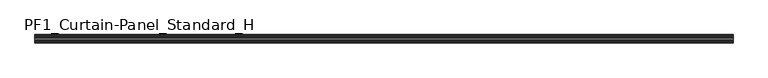
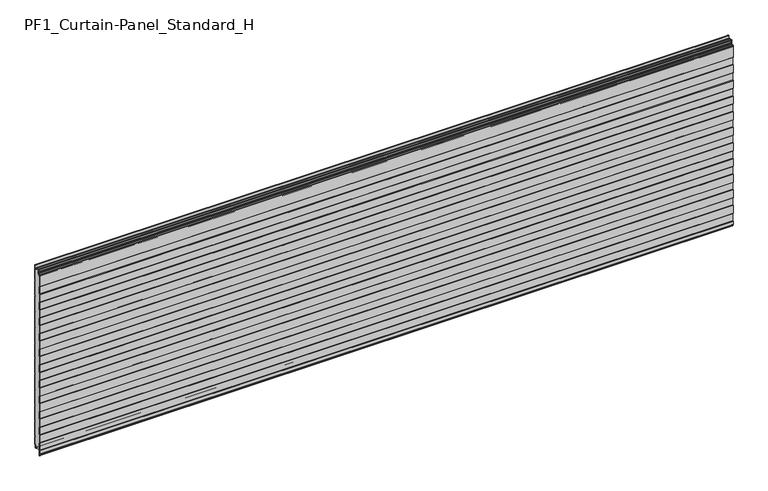
"""IFC4 building model written with IfcOpenShell, lengths in millimetres: plate geometry, PF1_Curtain-Panel_Standard_H."""

from ifc_helpers import new_model, si_unit, point, frame, frame_2d, origin, place, context, project, spatial, polyline, circle_curve, trimmed, segment, composite_curve, outline, extrude, source, transform, mapped, element, save


def pf1_curtain_panel_standard_h_fcb22b2a(model_context):
    return source(origin(), model_context, "Body", "SweptSolid", [
        extrude(outline(composite_curve([segment(polyline([(-15.878557, 0.0), (-20.0, 0.0), (-20.0, 0.8), (-15.878557, 0.8)]), True, "CONTINUOUS"), segment(trimmed(circle_curve(frame_2d((-15.878557, -2.0)), 2.8), [point((-15.878557, 0.8))], [point((-13.1503208, -1.370137))], False, "CARTESIAN"), True, "CONTINUOUS"), segment(polyline([(-13.1503208, -1.370137), (-11.728236, -7.529863)]), True, "CONTINUOUS"), segment(trimmed(circle_curve(frame_2d((-9.0, -6.9)), 2.8), [point((-11.728236, -7.529863))], [point((-6.2, -6.9))], True, "CARTESIAN"), True, "CONTINUOUS"), segment(polyline([(-6.2, -6.9), (-6.2, 8.6)]), True, "CONTINUOUS"), segment(trimmed(circle_curve(frame_2d((-3.4, 8.6)), 2.8), [point((-6.2, 8.6))], [point((-3.4, 11.4))], False, "CARTESIAN"), True, "CONTINUOUS"), segment(polyline([(-3.4, 11.4), (-2.0, 11.4)]), True, "CONTINUOUS"), segment(trimmed(circle_curve(frame_2d((-2.0, 12.6)), 1.2), [point((-2.0, 11.4))], [point((-0.8, 12.6))], True, "CARTESIAN"), True, "CONTINUOUS"), segment(polyline([(-0.8, 12.6), (-0.8, 57.6856412), (-2.482606, 60.6), (-0.8, 63.5143588), (-0.8, 157.6856412), (-2.482606, 160.6), (-0.8, 163.5143588), (-0.8, 257.6856412), (-2.482606, 260.6), (-0.8, 263.5143588), (-0.8, 357.6856412), (-2.482606, 360.6), (-0.8, 363.5143588), (-0.8, 457.6856412), (-2.482606, 460.6), (-0.8, 463.5143588), (-0.8, 557.6856412), (-2.482606, 560.6), (-0.8, 563.5143588), (-0.8, 657.6856412), (-2.482606, 660.6), (-0.8, 663.5143588), (-0.8, 757.6856412), (-2.482606, 760.6), (-0.8, 763.5143588), (-0.8, 857.6856412), (-2.482606, 860.6), (-0.8, 863.5143588), (-0.8, 957.6856412), (-2.482606, 960.6), (-0.8, 963.5143588), (-0.8, 1057.6856412), (-2.482606, 1060.6), (-0.8, 1063.5143588), (-0.8, 1158.268846)]), True, "CONTINUOUS"), segment(trimmed(circle_curve(frame_2d((-2.5, 1158.268846)), 1.7), [point((-0.8, 1158.268846))], [point((-4.2, 1158.268846))], True, "CARTESIAN"), True, "CONTINUOUS"), segment(polyline([(-4.2, 1158.268846), (-4.2, 1141.268846)]), True, "CONTINUOUS"), segment(trimmed(circle_curve(frame_2d((-9.0, 1141.268846)), 4.8), [point((-4.2, 1141.268846))], [point((-13.7270771, 1140.4353344))], False, "CARTESIAN"), True, "CONTINUOUS"), segment(polyline([(-13.7270771, 1140.4353344), (-14.8636953, 1146.8814129)]), True, "CONTINUOUS"), segment(trimmed(circle_curve(frame_2d((-16.6363492, 1146.568846)), 1.8), [point((-14.8636953, 1146.8814129))], [point((-16.6363492, 1148.368846))], True, "CARTESIAN"), True, "CONTINUOUS"), segment(polyline([(-16.6363492, 1148.368846), (-20.0, 1148.368846), (-20.0, 1149.168846), (-16.6363492, 1149.168846)]), True, "CONTINUOUS"), segment(trimmed(circle_curve(frame_2d((-16.6363492, 1146.568846)), 2.6), [point((-16.6363492, 1149.168846))], [point((-14.0758491, 1147.0203315))], False, "CARTESIAN"), True, "CONTINUOUS"), segment(polyline([(-14.0758491, 1147.0203315), (-12.939231, 1140.574253)]), True, "CONTINUOUS"), segment(trimmed(circle_curve(frame_2d((-9.0, 1141.268846)), 4.0), [point((-12.939231, 1140.574253))], [point((-5.0, 1141.268846))], True, "CARTESIAN"), True, "CONTINUOUS"), segment(polyline([(-5.0, 1141.268846), (-5.0, 1158.268846)]), True, "CONTINUOUS"), segment(trimmed(circle_curve(frame_2d((-2.5, 1158.268846)), 2.5), [point((-5.0, 1158.268846))], [point((0.0, 1158.268846))], False, "CARTESIAN"), True, "CONTINUOUS"), segment(polyline([(0.0, 1158.268846), (0.0, 1063.2999995), (-1.5588455, 1060.6), (0.0, 1057.9000005), (0.0, 963.2999995), (-1.5588455, 960.6), (0.0, 957.9000005), (0.0, 863.2999995), (-1.5588455, 860.6), (0.0, 857.9000005), (0.0, 763.2999995), (-1.5588455, 760.6), (0.0, 757.9000005), (0.0, 663.2999995), (-1.5588455, 660.6), (0.0, 657.9000005), (0.0, 563.2999995), (-1.5588455, 560.6), (0.0, 557.9000005), (0.0, 463.2999995), (-1.5588455, 460.6), (0.0, 457.9000005), (0.0, 363.2999995), (-1.5588455, 360.6), (0.0, 357.9000005), (0.0, 263.2999995), (-1.5588455, 260.6), (0.0, 257.9000005), (0.0, 163.2999995), (-1.5588455, 160.6), (0.0, 157.9000005), (0.0, 63.2999995), (-1.5588455, 60.6), (0.0, 57.9000005), (0.0, 12.6)]), True, "CONTINUOUS"), segment(trimmed(circle_curve(frame_2d((-2.0, 12.6)), 2.0), [point((0.0, 12.6))], [point((-2.0, 10.6))], False, "CARTESIAN"), True, "CONTINUOUS"), segment(polyline([(-2.0, 10.6), (-3.4, 10.6)]), True, "CONTINUOUS"), segment(trimmed(circle_curve(frame_2d((-3.4, 8.6)), 2.0), [point((-3.4, 10.6))], [point((-5.4, 8.6))], True, "CARTESIAN"), True, "CONTINUOUS"), segment(polyline([(-5.4, 8.6), (-5.4, -6.9)]), True, "CONTINUOUS"), segment(trimmed(circle_curve(frame_2d((-9.0, -6.9)), 3.6), [point((-5.4, -6.9))], [point((-12.5077322, -7.7098239))], False, "CARTESIAN"), True, "CONTINUOUS"), segment(polyline([(-12.5077322, -7.7098239), (-13.929817, -1.5500979)]), True, "CONTINUOUS"), segment(trimmed(circle_curve(frame_2d((-15.878557, -2.0)), 2.0), [point((-13.929817, -1.5500979))], [point((-15.878557, 0.0))], True, "CARTESIAN"), True, "CONTINUOUS")], self_intersect=False)), frame((-2100.0, 0.0, 0.0), z_axis=(1.0, 0.0, 0.0), x_axis=(0.0, 1.0, 0.0)), (0.0, 0.0, 1.0), 4200.0),
        extrude(outline(composite_curve([segment(polyline([(-40.0, 0.0), (-43.5, 0.0)]), True, "CONTINUOUS"), segment(trimmed(circle_curve(frame_2d((-43.5, -2.0)), 2.0), [point((-43.5, 0.0))], [point((-45.5, -2.0))], True, "CARTESIAN"), True, "CONTINUOUS"), segment(polyline([(-45.5, -2.0), (-45.5, -33.0)]), True, "CONTINUOUS"), segment(trimmed(circle_curve(frame_2d((-46.5, -33.0)), 1.0), [point((-45.5, -33.0))], [point((-47.5, -33.0))], False, "CARTESIAN"), True, "CONTINUOUS"), segment(polyline([(-47.5, -33.0), (-47.5, -26.9)]), True, "CONTINUOUS"), segment(trimmed(circle_curve(frame_2d((-48.4, -26.9)), 0.9), [point((-47.5, -26.9))], [point((-48.4, -26.0))], True, "CARTESIAN"), True, "CONTINUOUS"), segment(trimmed(circle_curve(frame_2d((-48.4, -24.4)), 1.6), [point((-48.4, -26.0))], [point((-50.0, -24.4))], False, "CARTESIAN"), True, "CONTINUOUS"), segment(polyline([(-50.0, -24.4), (-50.0, -0.9952559), (-48.5, 1.6028217), (-48.5, 46.4028193), (-50.0, 49.0008969), (-50.0, 99.0047441), (-48.5, 101.6028217), (-48.5, 146.4028193), (-50.0, 149.0008969), (-50.0, 199.0047441), (-48.5, 201.6028217), (-48.5, 246.4028193), (-50.0, 249.0008969), (-50.0, 299.0047441), (-48.5, 301.6028217), (-48.5, 346.4028193), (-50.0, 349.0008969), (-50.0, 399.0047441), (-48.5, 401.6028217), (-48.5, 446.4028193), (-50.0, 449.0008969), (-50.0, 499.0047441), (-48.5, 501.6028217), (-48.5, 546.4028193), (-50.0, 549.0008969), (-50.0, 599.0047441), (-48.5, 601.6028217), (-48.5, 646.4028193), (-50.0, 649.0008969), (-50.0, 699.0047441), (-48.5, 701.6028217), (-48.5, 746.4028193), (-50.0, 749.0008969), (-50.0, 799.0047441), (-48.5, 801.6028217), (-48.5, 846.4028193), (-50.0, 849.0008969), (-50.0, 899.0047441), (-48.5, 901.6028217), (-48.5, 946.4028193), (-50.0, 949.0008969), (-50.0, 999.0047441), (-48.5, 1001.6028217), (-48.5, 1046.4028193), (-50.0, 1049.0008969), (-50.0, 1123.168846)]), True, "CONTINUOUS"), segment(trimmed(circle_curve(frame_2d((-49.0, 1123.168846)), 1.0), [point((-50.0, 1123.168846))], [point((-48.0, 1123.168846))], False, "CARTESIAN"), True, "CONTINUOUS"), segment(polyline([(-48.0, 1123.168846), (-48.0, 1117.168846)]), True, "CONTINUOUS"), segment(trimmed(circle_curve(frame_2d((-46.5, 1117.168846)), 1.5), [point((-48.0, 1117.168846))], [point((-45.0, 1117.168846))], True, "CARTESIAN"), True, "CONTINUOUS"), segment(polyline([(-45.0, 1117.168846), (-45.0, 1117.9964664)]), True, "CONTINUOUS"), segment(trimmed(circle_curve(frame_2d((-38.8276204, 1117.9964664)), 6.1723796), [point((-45.0, 1117.9964664))], [point((-38.8276204, 1124.168846))], False, "CARTESIAN"), True, "CONTINUOUS"), segment(polyline([(-38.8276204, 1124.168846), (-38.0, 1124.168846)]), True, "CONTINUOUS"), segment(trimmed(circle_curve(frame_2d((-38.0, 1125.168846)), 1.0), [point((-38.0, 1124.168846))], [point((-37.0, 1125.168846))], True, "CARTESIAN"), True, "CONTINUOUS"), segment(polyline([(-37.0, 1125.168846), (-37.0, 1131.6688472), (-35.4999999, 1133.168846), (-37.0, 1134.6688448), (-37.0, 1146.568846)]), True, "CONTINUOUS"), segment(trimmed(circle_curve(frame_2d((-34.4, 1146.568846)), 2.6), [point((-37.0, 1146.568846))], [point((-34.4, 1149.168846))], False, "CARTESIAN"), True, "CONTINUOUS"), segment(polyline([(-34.4, 1149.168846), (-33.0, 1149.168846), (-33.0, 1148.368846), (-34.4, 1148.368846)]), True, "CONTINUOUS"), segment(trimmed(circle_curve(frame_2d((-34.4, 1146.568846)), 1.8), [point((-34.4, 1148.368846))], [point((-36.2, 1146.568846))], True, "CARTESIAN"), True, "CONTINUOUS"), segment(polyline([(-36.2, 1146.568846), (-36.2, 1135.0002158), (-34.3686285, 1133.168846), (-36.2, 1131.3374762), (-36.2, 1125.168846)]), True, "CONTINUOUS"), segment(trimmed(circle_curve(frame_2d((-38.0, 1125.168846)), 1.8), [point((-36.2, 1125.168846))], [point((-38.0, 1123.368846))], False, "CARTESIAN"), True, "CONTINUOUS"), segment(polyline([(-38.0, 1123.368846), (-38.8276204, 1123.368846)]), True, "CONTINUOUS"), segment(trimmed(circle_curve(frame_2d((-38.8276204, 1117.9964664)), 5.3723796), [point((-38.8276204, 1123.368846))], [point((-44.2, 1117.9964664))], True, "CARTESIAN"), True, "CONTINUOUS"), segment(polyline([(-44.2, 1117.9964664), (-44.2, 1117.168846)]), True, "CONTINUOUS"), segment(trimmed(circle_curve(frame_2d((-46.4, 1117.168846)), 2.2), [point((-44.2, 1117.168846))], [point((-48.6, 1117.168846))], False, "CARTESIAN"), True, "CONTINUOUS"), segment(polyline([(-48.6, 1117.168846), (-48.6, 1123.0579973)]), True, "CONTINUOUS"), segment(trimmed(circle_curve(frame_2d((-48.9, 1123.0579973)), 0.3), [point((-48.6, 1123.0579973))], [point((-49.2, 1123.0579973))], True, "CARTESIAN"), True, "CONTINUOUS"), segment(polyline([(-49.2, 1123.0579973), (-49.2, 1049.2152562), (-47.7, 1046.6171786), (-47.7, 1001.3884624), (-49.2, 998.7903848), (-49.2, 949.2152562), (-47.7, 946.6171786), (-47.7, 901.3884624), (-49.2, 898.7903848), (-49.2, 849.2152562), (-47.7, 846.6171786), (-47.7, 801.3884624), (-49.2, 798.7903848), (-49.2, 749.2152562), (-47.7, 746.6171786), (-47.7, 701.3884624), (-49.2, 698.7903848), (-49.2, 649.2152562), (-47.7, 646.6171786), (-47.7, 601.3884624), (-49.2, 598.7903848), (-49.2, 549.2152562), (-47.7, 546.6171786), (-47.7, 501.3884624), (-49.2, 498.7903848), (-49.2, 449.2152562), (-47.7, 446.6171786), (-47.7, 401.3884624), (-49.2, 398.7903848), (-49.2, 349.2152562), (-47.7, 346.6171786), (-47.7, 301.3884624), (-49.2, 298.7903848), (-49.2, 249.2152562), (-47.7, 246.6171786), (-47.7, 201.3884624), (-49.2, 198.7903848), (-49.2, 149.2152562), (-47.7, 146.6171786), (-47.7, 101.3884624), (-49.2, 98.7903848), (-49.2, 49.2152562), (-47.7, 46.6171786), (-47.7, 1.3884624), (-49.2, -1.2096152), (-49.2, -24.4)]), True, "CONTINUOUS"), segment(trimmed(circle_curve(frame_2d((-48.4, -24.4)), 0.8), [point((-49.2, -24.4))], [point((-48.4, -25.2))], True, "CARTESIAN"), True, "CONTINUOUS"), segment(trimmed(circle_curve(frame_2d((-48.6133333, -26.9)), 1.7133333), [point((-48.4, -25.2))], [point((-46.9, -26.9))], False, "CARTESIAN"), True, "CONTINUOUS"), segment(polyline([(-46.9, -26.9), (-46.9, -32.8700312)]), True, "CONTINUOUS"), segment(trimmed(circle_curve(frame_2d((-46.6, -32.8700312)), 0.3), [point((-46.9, -32.8700312))], [point((-46.3, -32.8700312))], True, "CARTESIAN"), True, "CONTINUOUS"), segment(polyline([(-46.3, -32.8700312), (-46.3, -2.0)]), True, "CONTINUOUS"), segment(trimmed(circle_curve(frame_2d((-43.5, -2.0)), 2.8), [point((-46.3, -2.0))], [point((-43.5, 0.8))], False, "CARTESIAN"), True, "CONTINUOUS"), segment(polyline([(-43.5, 0.8), (-40.0, 0.8), (-40.0, 0.0)]), True, "CONTINUOUS")], self_intersect=False)), frame((-2100.0, 0.0, 0.0), z_axis=(1.0, 0.0, 0.0), x_axis=(0.0, 1.0, 0.0)), (0.0, 0.0, 1.0), 4200.0),
        extrude(outline(composite_curve([segment(polyline([(-40.0, 0.8), (-43.5, 0.8)]), True, "CONTINUOUS"), segment(trimmed(circle_curve(frame_2d((-43.5, -2.0)), 2.8), [point((-43.5, 0.8))], [point((-46.3, -2.0))], True, "CARTESIAN"), True, "CONTINUOUS"), segment(polyline([(-46.3, -2.0), (-46.3, -32.8700312)]), True, "CONTINUOUS"), segment(trimmed(circle_curve(frame_2d((-46.6, -32.8700312)), 0.3), [point((-46.3, -32.8700312))], [point((-46.9, -32.8700312))], False, "CARTESIAN"), True, "CONTINUOUS"), segment(polyline([(-46.9, -32.8700312), (-46.9, -26.9)]), True, "CONTINUOUS"), segment(trimmed(circle_curve(frame_2d((-48.6133333, -26.9)), 1.7133333), [point((-46.9, -26.9))], [point((-48.4, -25.2))], True, "CARTESIAN"), True, "CONTINUOUS"), segment(trimmed(circle_curve(frame_2d((-48.4, -24.4)), 0.8), [point((-48.4, -25.2))], [point((-49.2, -24.4))], False, "CARTESIAN"), True, "CONTINUOUS"), segment(polyline([(-49.2, -24.4), (-49.2, -1.2096152), (-47.7, 1.3884624), (-47.7, 46.6171786), (-49.2, 49.2152562), (-49.2, 98.7903848), (-47.7, 101.3884624), (-47.7, 146.6171786), (-49.2, 149.2152562), (-49.2, 198.7903848), (-47.7, 201.3884624), (-47.7, 246.6171786), (-49.2, 249.2152562), (-49.2, 298.7903848), (-47.7, 301.3884624), (-47.7, 346.6171786), (-49.2, 349.2152562), (-49.2, 398.7903848), (-47.7, 401.3884624), (-47.7, 446.6171786), (-49.2, 449.2152562), (-49.2, 498.7903848), (-47.7, 501.3884624), (-47.7, 546.6171786), (-49.2, 549.2152562), (-49.2, 598.7903848), (-47.7, 601.3884624), (-47.7, 646.6171786), (-49.2, 649.2152562), (-49.2, 698.7903848), (-47.7, 701.3884624), (-47.7, 746.6171786), (-49.2, 749.2152562), (-49.2, 798.7903848), (-47.7, 801.3884624), (-47.7, 846.6171786), (-49.2, 849.2152562), (-49.2, 898.7903848), (-47.7, 901.3884624), (-47.7, 946.6171786), (-49.2, 949.2152562), (-49.2, 998.7903848), (-47.7, 1001.3884624), (-47.7, 1046.6171786), (-49.2, 1049.2152562), (-49.2, 1123.0579973)]), True, "CONTINUOUS"), segment(trimmed(circle_curve(frame_2d((-48.9, 1123.0579973)), 0.3), [point((-49.2, 1123.0579973))], [point((-48.6, 1123.0579973))], False, "CARTESIAN"), True, "CONTINUOUS"), segment(polyline([(-48.6, 1123.0579973), (-48.6, 1117.168846)]), True, "CONTINUOUS"), segment(trimmed(circle_curve(frame_2d((-46.4, 1117.168846)), 2.2), [point((-48.6, 1117.168846))], [point((-44.2, 1117.168846))], True, "CARTESIAN"), True, "CONTINUOUS"), segment(polyline([(-44.2, 1117.168846), (-44.2, 1117.9964664)]), True, "CONTINUOUS"), segment(trimmed(circle_curve(frame_2d((-38.8276204, 1117.9964664)), 5.3723796), [point((-44.2, 1117.9964664))], [point((-38.8276204, 1123.368846))], False, "CARTESIAN"), True, "CONTINUOUS"), segment(polyline([(-38.8276204, 1123.368846), (-38.0, 1123.368846)]), True, "CONTINUOUS"), segment(trimmed(circle_curve(frame_2d((-38.0, 1125.168846)), 1.8), [point((-38.0, 1123.368846))], [point((-36.2, 1125.168846))], True, "CARTESIAN"), True, "CONTINUOUS"), segment(polyline([(-36.2, 1125.168846), (-36.2, 1131.3374762), (-34.3686285, 1133.168846), (-36.2, 1135.0002158), (-36.2, 1146.568846)]), True, "CONTINUOUS"), segment(trimmed(circle_curve(frame_2d((-34.4, 1146.568846)), 1.8), [point((-36.2, 1146.568846))], [point((-34.4, 1148.368846))], False, "CARTESIAN"), True, "CONTINUOUS"), segment(polyline([(-34.4, 1148.368846), (-33.0, 1148.368846), (-33.0, 1149.168846), (-20.0, 1149.168846), (-20.0, 1148.368846), (-16.6363492, 1148.368846)]), True, "CONTINUOUS"), segment(trimmed(circle_curve(frame_2d((-16.6363492, 1146.568846)), 1.8), [point((-16.6363492, 1148.368846))], [point((-14.8636953, 1146.8814129))], False, "CARTESIAN"), True, "CONTINUOUS"), segment(polyline([(-14.8636953, 1146.8814129), (-13.7270772, 1140.4353344)]), True, "CONTINUOUS"), segment(trimmed(circle_curve(frame_2d((-9.0, 1141.268846)), 4.8), [point((-13.7270772, 1140.4353344))], [point((-4.2, 1141.268846))], True, "CARTESIAN"), True, "CONTINUOUS"), segment(polyline([(-4.2, 1141.268846), (-4.2, 1158.268846)]), True, "CONTINUOUS"), segment(trimmed(circle_curve(frame_2d((-2.5, 1158.268846)), 1.7), [point((-4.2, 1158.268846))], [point((-0.8, 1158.268846))], False, "CARTESIAN"), True, "CONTINUOUS"), segment(polyline([(-0.8, 1158.268846), (-0.8, 1063.5143588), (-2.482606, 1060.6), (-0.8, 1057.6856412), (-0.8, 963.5143588), (-2.482606, 960.6), (-0.8, 957.6856412), (-0.8, 863.5143588), (-2.482606, 860.6), (-0.8, 857.6856412), (-0.8, 763.5143588), (-2.482606, 760.6), (-0.8, 757.6856412), (-0.8, 663.5143588), (-2.482606, 660.6), (-0.8, 657.6856412), (-0.8, 563.5143588), (-2.482606, 560.6), (-0.8, 557.6856412), (-0.8, 463.5143588), (-2.482606, 460.6), (-0.8, 457.6856412), (-0.8, 363.5143588), (-2.482606, 360.6), (-0.8, 357.6856412), (-0.8, 263.5143588), (-2.482606, 260.6), (-0.8, 257.6856412), (-0.8, 163.5143588), (-2.482606, 160.6), (-0.8, 157.6856412), (-0.8, 63.5143588), (-2.482606, 60.6), (-0.8, 57.6856412), (-0.8, 12.6)]), True, "CONTINUOUS"), segment(trimmed(circle_curve(frame_2d((-2.0, 12.6)), 1.2), [point((-0.8, 12.6))], [point((-2.0, 11.4))], False, "CARTESIAN"), True, "CONTINUOUS"), segment(polyline([(-2.0, 11.4), (-3.4, 11.4)]), True, "CONTINUOUS"), segment(trimmed(circle_curve(frame_2d((-3.4, 8.6)), 2.8), [point((-3.4, 11.4))], [point((-6.2, 8.6))], True, "CARTESIAN"), True, "CONTINUOUS"), segment(polyline([(-6.2, 8.6), (-6.2, -6.9)]), True, "CONTINUOUS"), segment(trimmed(circle_curve(frame_2d((-9.0, -6.9)), 2.8), [point((-6.2, -6.9))], [point((-11.7282362, -7.529863))], False, "CARTESIAN"), True, "CONTINUOUS"), segment(polyline([(-11.7282362, -7.529863), (-13.150321, -1.370137)]), True, "CONTINUOUS"), segment(trimmed(circle_curve(frame_2d((-15.878557, -2.0)), 2.8), [point((-13.150321, -1.370137))], [point((-15.878557, 0.8))], True, "CARTESIAN"), True, "CONTINUOUS"), segment(polyline([(-15.878557, 0.8), (-20.0, 0.8), (-20.0, 0.0), (-40.0, 0.0), (-40.0, 0.8)]), True, "CONTINUOUS")], self_intersect=False)), frame((-2100.0, 0.0, 0.0), z_axis=(1.0, 0.0, 0.0), x_axis=(0.0, 1.0, 0.0)), (0.0, 0.0, 1.0), 4200.0),
    ])


if __name__ == "__main__":
    model = new_model("IFC4")
    model_context = context("Model", 3, world=origin())
    ifc_project = project(units=[si_unit("LENGTHUNIT", "METRE", prefix="MILLI")], contexts=[model_context])
    site = spatial("IfcSite", under=ifc_project)
    building = spatial("IfcBuilding", under=site)
    placement = place(None, origin())
    pf1_curtain_panel_standard_h_shape = pf1_curtain_panel_standard_h_fcb22b2a(model_context)
    element("IfcPlate", 1, ObjectType="PF1_Curtain-Panel_Standard_H", at=placement, inside=building, context=model_context, shape_type="MappedRepresentation", body=[
        mapped(pf1_curtain_panel_standard_h_shape, transform((0.0, 0.0, 0.0), x_axis=(1.0, 0.0, 0.0), y_axis=(0.0, 1.0, 0.0), z_axis=(0.0, 0.0, 1.0))),
    ])
    save(model, "model.ifc")
